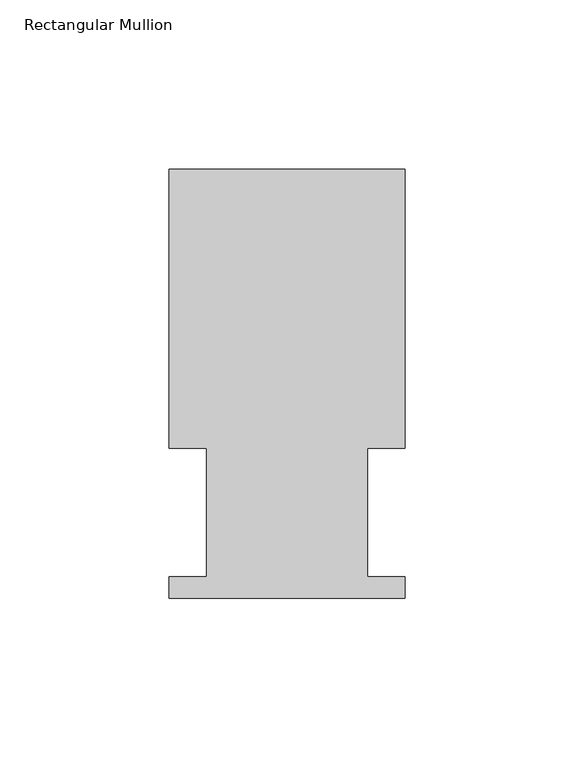
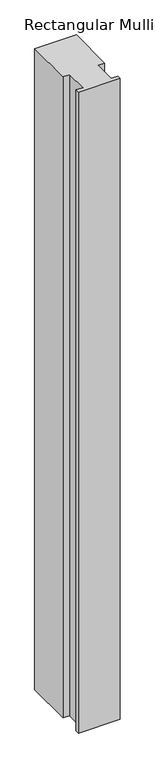
"""IFC4 building model written with IfcOpenShell, lengths in millimetres: member geometry, Rectangular Mullion."""

from ifc_helpers import new_model, si_unit, frame, origin, place, context, project, spatial, polyline, outline, extrude, source, transform, mapped, element, save


def rectangular_mullion_9d63dbcb(model_context):
    return source(origin(), model_context, "Body", "SweptSolid", [
        extrude(outline(polyline([(34.925, 127.0), (34.925, 44.45), (23.8125, 44.45), (23.8125, 6.35), (34.925, 6.35), (34.925, 0.0), (-34.925, 0.0), (-34.925, 6.35), (-23.8125, 6.35), (-23.8125, 44.45), (-34.925, 44.45), (-34.925, 127.0), (34.925, 127.0)])), frame((0.0, 0.0, -1136.65), z_axis=(0.0, 0.0, 1.0), x_axis=(1.0, 0.0, 0.0)), (0.0, 0.0, 1.0), 1136.65),
    ])


if __name__ == "__main__":
    model = new_model("IFC4")
    model_context = context("Model", 3, world=origin())
    ifc_project = project(units=[si_unit("LENGTHUNIT", "METRE", prefix="MILLI")], contexts=[model_context])
    site = spatial("IfcSite", under=ifc_project)
    building = spatial("IfcBuilding", under=site)
    placement = place(None, origin())
    rectangular_mullion_shape = rectangular_mullion_9d63dbcb(model_context)
    element("IfcMember", 1, ObjectType="Rectangular Mullion", at=placement, inside=building, context=model_context, shape_type="MappedRepresentation", body=[
        mapped(rectangular_mullion_shape, transform((0.0, 0.0, 0.0), x_axis=(1.0, 0.0, 0.0), y_axis=(0.0, 1.0, 0.0), z_axis=(0.0, 0.0, 1.0))),
    ])
    save(model, "model.ifc")
